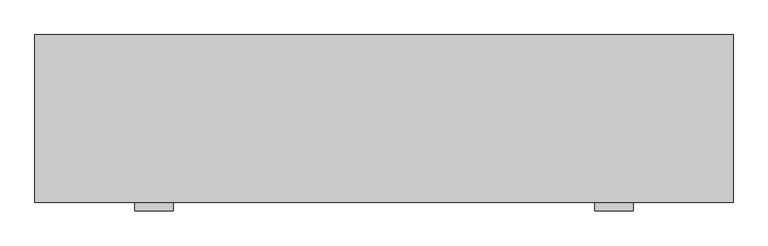
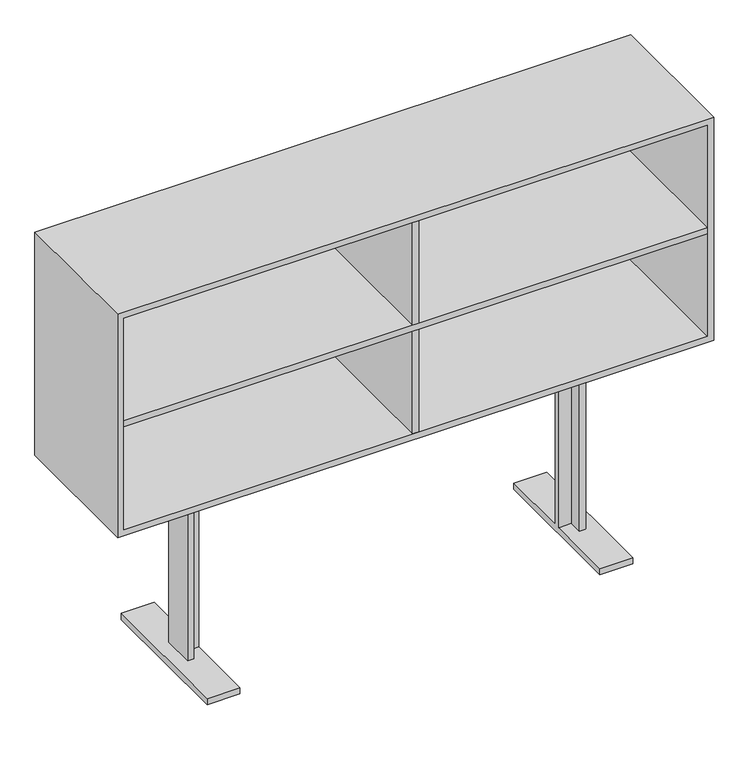
"""IFC4 building model written with IfcOpenShell, lengths in millimetres: furniture geometry."""

from ifc_helpers import new_model, si_unit, frame, origin, place, context, project, spatial, polyline, outline, extrude, faceted_brep, source, transform, mapped, element, save


def furniture_34eb330d(model_context):
    return source(origin(), model_context, "Body", "SolidModel", [
        extrude(outline(polyline([(879.475, 19.0420174), (-879.475, 19.0420174), (-879.475, 431.8), (879.475, 431.8), (879.475, 19.0420174)])), frame((0.0, 0.0, 955.675), z_axis=(0.0, 0.0, 1.0), x_axis=(1.0, 0.0, 0.0)), (0.0, 0.0, 1.0), 19.05),
        faceted_brep([(898.525, 19.0420174, 1320.8), (-898.525, 19.0420174, 1320.8), (-898.525, 19.0420174, 609.6), (898.525, 19.0420174, 609.6), (-879.475, 19.0420174, 1301.75), (879.475, 19.0420174, 1301.75), (879.475, 19.0420174, 628.65), (-879.475, 19.0420174, 628.65), (898.525, 450.85, 1320.8), (898.525, 450.85, 609.6), (-898.525, 450.85, 609.6), (-898.525, 450.85, 1320.8), (-879.475, 431.8, 1301.75), (879.475, 431.8, 1301.75), (879.475, 431.8, 628.65), (-879.475, 431.8, 628.65)], [[[0, 1, 2, 3], [4, 5, 6, 7]], [[8, 9, 10, 11]], [[1, 0, 8, 11]], [[2, 1, 11, 10]], [[3, 2, 10, 9]], [[0, 3, 9, 8]], [[5, 4, 12, 13]], [[6, 5, 13, 14]], [[7, 6, 14, 15]], [[4, 7, 15, 12]], [[13, 12, 15, 14]]]),
        extrude(outline(polyline([(9.525, 19.0739478), (-9.525, 19.0739478), (-9.525, 423.0566059), (9.525, 423.0566059), (9.525, 19.0739478)])), frame((0.0, 0.0, 628.65), z_axis=(0.0, 0.0, 1.0), x_axis=(1.0, 0.0, 0.0)), (0.0, 0.0, 1.0), 673.1),
        faceted_brep([(-600.0000108, 171.1108775, 609.6), (-580.9500108, 171.1108775, 609.6), (-580.9500108, 211.6109348, 609.6), (580.9500108, 211.6109348, 609.6), (580.9500108, 171.1108775, 609.6), (600.0000108, 171.1108775, 609.6), (600.0000108, 269.1160418, 609.6), (580.9500108, 269.1160418, 609.6), (580.9500108, 230.9134, 609.6), (-580.9500108, 230.9134, 609.6), (-580.9500108, 269.1160418, 609.6), (-600.0000108, 269.1160418, 609.6), (-600.0000108, 171.1108775, 19.8859728), (-580.9500108, 171.1108775, 19.8859728), (-580.9500108, 211.6109348, 19.8859728), (-542.4999595, 211.6109348, 558.8), (542.4999595, 211.6109348, 558.8), (542.4999595, 211.6109348, 19.8859728), (580.9500108, 211.6109348, 19.8859728), (-542.4999595, 211.6109348, 19.8859728), (-542.4999595, 230.9134, 558.8), (-542.4999595, -3.1790836, 19.8859728), (-542.4999595, -3.1790836, 0.0), (-542.4999595, 445.4008393, 0.0), (-542.4999595, 445.4008393, 19.8859728), (-542.4999595, 230.9134, 19.8859728), (542.4999595, 230.9134, 558.8), (-580.9500108, 230.9134, 19.8859728), (580.9500108, 230.9134, 19.8859728), (542.4999595, 230.9134, 19.8859728), (-580.9500108, 269.1160418, 19.8859728), (-600.0000108, 269.1160418, 19.8859728), (580.9500108, 171.1108775, 19.8859728), (600.0000108, 171.1108775, 19.8859728), (542.4999595, 445.4008393, 19.8859728), (542.4999595, 445.4008393, 0.0), (542.4999595, -3.1790836, 0.0), (542.4999595, -3.1790836, 19.8859728), (580.9500108, 269.1160418, 19.8859728), (600.0000108, 269.1160418, 19.8859728), (-641.5000213, 445.4008393, 19.8859728), (-641.5000213, -3.1790836, 19.8859728), (-641.5000213, -3.1790836, 0.0), (-641.5000213, 445.4008393, 0.0), (641.5000213, -3.1790836, 19.8859728), (641.5000213, 445.4008393, 19.8859728), (641.5000213, 445.4008393, 0.0), (641.5000213, -3.1790836, 0.0)], [[[0, 1, 2, 3, 4, 5, 6, 7, 8, 9, 10, 11]], [[1, 0, 12, 13]], [[2, 1, 13, 14]], [[15, 16, 17, 18, 3, 2, 14, 19]], [[20, 15, 19, 21, 22, 23, 24, 25]], [[26, 20, 25, 27, 9, 8, 28, 29]], [[10, 9, 27, 30]], [[11, 10, 30, 31]], [[0, 11, 31, 12]], [[20, 26, 16, 15]], [[5, 4, 32, 33]], [[4, 3, 18, 32]], [[26, 29, 34, 35, 36, 37, 17, 16]], [[8, 7, 38, 28]], [[7, 6, 39, 38]], [[6, 5, 33, 39]], [[24, 40, 41, 21, 19, 14, 13, 12, 31, 30, 27, 25]], [[23, 22, 42, 43]], [[40, 24, 23, 43]], [[41, 40, 43, 42]], [[21, 41, 42, 22]], [[37, 44, 45, 34, 29, 28, 38, 39, 33, 32, 18, 17]], [[35, 46, 47, 36]], [[34, 45, 46, 35]], [[45, 44, 47, 46]], [[44, 37, 36, 47]]]),
    ])


if __name__ == "__main__":
    model = new_model("IFC4")
    model_context = context("Model", 3, world=origin())
    ifc_project = project(units=[si_unit("LENGTHUNIT", "METRE", prefix="MILLI")], contexts=[model_context])
    site = spatial("IfcSite", under=ifc_project)
    building = spatial("IfcBuilding", under=site)
    placement = place(None, origin())
    furniture_shape = furniture_34eb330d(model_context)
    element("IfcFurniture", 1, at=placement, inside=building, context=model_context, shape_type="MappedRepresentation", body=[
        mapped(furniture_shape, transform((0.0, 0.0, 0.0), x_axis=(1.0, 0.0, 0.0), y_axis=(0.0, 1.0, 0.0), z_axis=(0.0, 0.0, 1.0))),
    ])
    save(model, "model.ifc")
